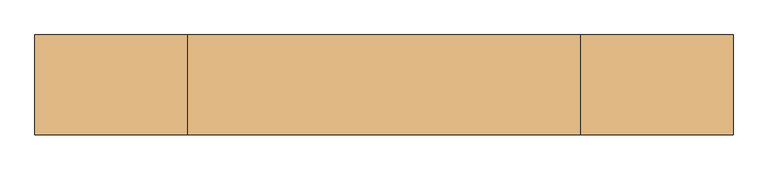
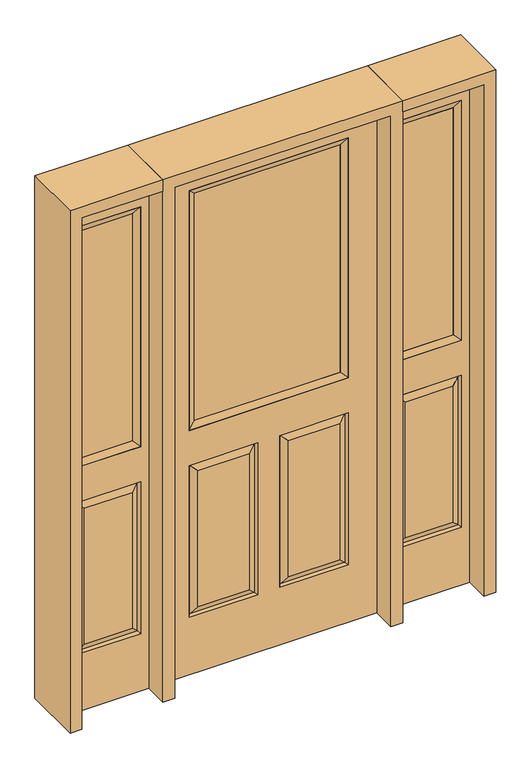
"""IFC4 building model written with IfcOpenShell, lengths in millimetres: door geometry."""

from ifc_helpers import new_model, si_unit, frame, origin, place, context, project, spatial, polyline, outline, extrude, faceted_brep, source, transform, mapped, element, save


def door_cf86e64f(model_context):
    return source(origin(), model_context, "Body", "SolidModel", [
        faceted_brep([(-406.4, -22.225, 0.0), (406.4, -22.225, 0.0), (406.4, -22.225, 2032.0), (-406.4, -22.225, 2032.0), (-299.339, -22.225, 971.55), (-299.339, -22.225, 1925.574), (299.339, -22.225, 1925.574), (299.339, -22.225, 971.55), (-299.339, -22.225, 831.85), (-41.275, -22.225, 831.85), (-41.275, -22.225, 228.6), (-299.339, -22.225, 228.6), (41.275, -22.225, 831.85), (299.339, -22.225, 831.85), (299.339, -22.225, 228.6), (41.275, -22.225, 228.6), (-73.025, -22.225, 800.1), (-267.589, -22.225, 800.1), (-267.589, -22.225, 260.35), (-73.025, -22.225, 260.35), (267.589, -22.225, 800.1), (73.025, -22.225, 800.1), (73.025, -22.225, 260.35), (267.589, -22.225, 260.35), (-406.4, 22.225, 0.0), (406.4, 22.225, 0.0), (406.4, 22.225, 2032.0), (-406.4, 22.225, 2032.0), (-299.339, 22.225, 971.55), (-299.339, 22.225, 1925.574), (299.339, 22.225, 1925.574), (299.339, 22.225, 971.55), (-41.275, 22.225, 831.85), (-299.339, 22.225, 831.85), (-299.339, 22.225, 228.6), (-41.275, 22.225, 228.6), (299.339, 22.225, 831.85), (41.275, 22.225, 831.85), (41.275, 22.225, 228.6), (299.339, 22.225, 228.6), (-267.589, 22.225, 800.1), (-73.025, 22.225, 800.1), (-73.025, 22.225, 260.35), (-267.589, 22.225, 260.35), (73.025, 22.225, 800.1), (267.589, 22.225, 800.1), (267.589, 22.225, 260.35), (73.025, 22.225, 260.35), (-48.41875, -12.7449236, 824.70625), (-292.19525, -12.7449236, 824.70625), (-292.19525, -12.7449236, 235.74375), (-48.41875, -12.7449236, 235.74375), (292.19525, -12.7449236, 824.70625), (48.41875, -12.7449236, 824.70625), (48.41875, -12.7449236, 235.74375), (292.19525, -12.7449236, 235.74375), (-292.19525, 12.7449236, 824.70625), (-48.41875, 12.7449236, 824.70625), (-48.41875, 12.7449236, 235.74375), (-292.19525, 12.7449236, 235.74375), (48.41875, 12.7449236, 824.70625), (292.19525, 12.7449236, 824.70625), (292.19525, 12.7449236, 235.74375), (48.41875, 12.7449236, 235.74375)], [[[0, 1, 2, 3], [4, 5, 6, 7], [8, 9, 10, 11], [12, 13, 14, 15]], [[16, 17, 18, 19]], [[20, 21, 22, 23]], [[1, 0, 24, 25]], [[2, 1, 25, 26]], [[0, 3, 27, 24]], [[5, 4, 28, 29]], [[7, 6, 30, 31]], [[4, 7, 31, 28]], [[24, 27, 26, 25], [28, 31, 30, 29], [32, 33, 34, 35], [36, 37, 38, 39]], [[40, 41, 42, 43]], [[44, 45, 46, 47]], [[3, 2, 26, 27]], [[6, 5, 29, 30]], [[16, 48, 49, 17]], [[17, 49, 50, 18]], [[51, 19, 18, 50]], [[48, 16, 19, 51]], [[49, 48, 9, 8]], [[9, 48, 51, 10]], [[10, 51, 50, 11]], [[49, 8, 11, 50]], [[52, 53, 21, 20]], [[21, 53, 54, 22]], [[22, 54, 55, 23]], [[52, 20, 23, 55]], [[53, 52, 13, 12]], [[13, 52, 55, 14]], [[54, 15, 14, 55]], [[53, 12, 15, 54]], [[56, 57, 41, 40]], [[41, 57, 58, 42]], [[42, 58, 59, 43]], [[56, 40, 43, 59]], [[57, 56, 33, 32]], [[33, 56, 59, 34]], [[58, 35, 34, 59]], [[57, 32, 35, 58]], [[44, 60, 61, 45]], [[45, 61, 62, 46]], [[63, 47, 46, 62]], [[60, 44, 47, 63]], [[61, 60, 37, 36]], [[37, 60, 63, 38]], [[38, 63, 62, 39]], [[61, 36, 39, 62]]]),
        extrude(outline(polyline([(273.939, -12.7), (-273.939, -12.7), (-273.939, 12.7), (273.939, 12.7), (273.939, -12.7)])), frame((0.0, 0.0, 996.95), z_axis=(0.0, 0.0, 1.0), x_axis=(1.0, 0.0, 0.0)), (0.0, 0.0, 1.0), 903.224),
        faceted_brep([(-299.339, -22.225, 1925.574), (-299.339, 22.225, 1925.574), (-299.339, 22.225, 971.55), (-299.339, -22.225, 971.55), (299.339, 22.225, 971.55), (299.339, -22.225, 971.55), (-273.939, 12.7, 996.95), (273.939, 12.7, 996.95), (299.339, 22.225, 1925.574), (299.339, -22.225, 1925.574), (-273.939, -12.7, 996.95), (273.939, -12.7, 996.95), (-273.939, -12.7, 1900.174), (273.939, -12.7, 1900.174), (-273.939, 12.7, 1900.174), (273.939, 12.7, 1900.174)], [[[0, 1, 2, 3]], [[3, 2, 4, 5]], [[2, 6, 7, 4]], [[5, 4, 8, 9]], [[10, 3, 5, 11]], [[12, 0, 3, 10]], [[11, 5, 9, 13]], [[6, 10, 11, 7]], [[14, 12, 10, 6]], [[7, 11, 13, 15]], [[1, 14, 6, 2]], [[4, 7, 15, 8]], [[9, 8, 1, 0]], [[13, 9, 0, 12]], [[15, 13, 12, 14]], [[8, 15, 14, 1]]]),
        faceted_brep([(755.65, -22.225, 0.0), (755.65, -22.225, 2032.0), (450.85, -22.225, 2032.0), (450.85, -22.225, 0.0), (481.838, -22.225, 1925.574), (724.662, -22.225, 1925.574), (724.662, -22.225, 971.55), (481.838, -22.225, 971.55), (481.838, -22.225, 228.6), (481.838, -22.225, 831.85), (724.662, -22.225, 831.85), (724.662, -22.225, 228.6), (692.7559872, -22.225, 260.5060128), (692.7559872, -22.225, 799.9439872), (513.7440128, -22.225, 799.9439872), (513.7440128, -22.225, 260.5060128), (450.85, 22.225, 0.0), (755.65, 22.225, 0.0), (450.85, 22.225, 2032.0), (755.65, 22.225, 2032.0), (481.838, 22.225, 971.55), (481.838, 22.225, 1925.574), (724.662, 22.225, 971.55), (724.662, 22.225, 1925.574), (724.662, 22.225, 228.6), (724.662, 22.225, 831.85), (481.838, 22.225, 831.85), (481.838, 22.225, 228.6), (513.7440128, 22.225, 260.5060128), (513.7440128, 22.225, 799.9439872), (692.7559872, 22.225, 799.9439872), (692.7559872, 22.225, 260.5060128), (717.7419933, -13.0418409, 235.5200067), (488.7580067, -13.0418409, 235.5200067), (717.7419933, -13.0418409, 824.9299933), (488.7580067, -13.0418409, 824.9299933), (717.7419933, 13.0418409, 235.5200067), (488.7580067, 13.0418409, 235.5200067), (488.7580067, 13.0418409, 824.9299933), (717.7419933, 13.0418409, 824.9299933)], [[[0, 1, 2, 3], [4, 5, 6, 7], [8, 9, 10, 11]], [[12, 13, 14, 15]], [[3, 16, 17, 0]], [[2, 18, 16, 3]], [[0, 17, 19, 1]], [[7, 20, 21, 4]], [[6, 22, 20, 7]], [[5, 23, 22, 6]], [[17, 16, 18, 19], [21, 20, 22, 23], [24, 25, 26, 27]], [[28, 29, 30, 31]], [[1, 19, 18, 2]], [[4, 21, 23, 5]], [[8, 11, 32, 33]], [[11, 10, 34, 32]], [[35, 34, 10, 9]], [[33, 35, 9, 8]], [[32, 12, 15, 33]], [[15, 14, 35, 33]], [[14, 13, 34, 35]], [[32, 34, 13, 12]], [[36, 24, 27, 37]], [[27, 26, 38, 37]], [[26, 25, 39, 38]], [[36, 39, 25, 24]], [[37, 28, 31, 36]], [[31, 30, 39, 36]], [[38, 39, 30, 29]], [[37, 38, 29, 28]]]),
        extrude(outline(polyline([(507.238, -12.7), (507.238, 12.7), (699.262, 12.7), (699.262, -12.7), (507.238, -12.7)])), frame((0.0, 0.0, 996.95), z_axis=(0.0, 0.0, 1.0), x_axis=(1.0, 0.0, 0.0)), (0.0, 0.0, 1.0), 903.224),
        faceted_brep([(724.662, -22.225, 1925.574), (724.662, -22.225, 971.55), (724.662, 22.225, 971.55), (724.662, 22.225, 1925.574), (481.838, -22.225, 971.55), (481.838, 22.225, 971.55), (507.238, 12.7, 996.95), (699.262, 12.7, 996.95), (481.838, -22.225, 1925.574), (481.838, 22.225, 1925.574), (699.262, -12.7, 996.95), (507.238, -12.7, 996.95), (699.262, -12.7, 1900.174), (507.238, -12.7, 1900.174), (699.262, 12.7, 1900.174), (507.238, 12.7, 1900.174)], [[[0, 1, 2, 3]], [[1, 4, 5, 2]], [[2, 5, 6, 7]], [[4, 8, 9, 5]], [[10, 11, 4, 1]], [[12, 10, 1, 0]], [[11, 13, 8, 4]], [[7, 6, 11, 10]], [[14, 7, 10, 12]], [[6, 15, 13, 11]], [[3, 2, 7, 14]], [[5, 9, 15, 6]], [[8, 0, 3, 9]], [[13, 12, 0, 8]], [[15, 14, 12, 13]], [[9, 3, 14, 15]]]),
        faceted_brep([(-755.65, -22.225, 0.0), (-450.85, -22.225, 0.0), (-450.85, -22.225, 2032.0), (-755.65, -22.225, 2032.0), (-481.838, -22.225, 1925.574), (-481.838, -22.225, 971.55), (-724.662, -22.225, 971.55), (-724.662, -22.225, 1925.574), (-481.838, -22.225, 228.6), (-724.662, -22.225, 228.6), (-724.662, -22.225, 831.85), (-481.838, -22.225, 831.85), (-692.7559872, -22.225, 260.5060128), (-513.7440128, -22.225, 260.5060128), (-513.7440128, -22.225, 799.9439872), (-692.7559872, -22.225, 799.9439872), (-755.65, 22.225, 0.0), (-450.85, 22.225, 0.0), (-450.85, 22.225, 2032.0), (-755.65, 22.225, 2032.0), (-481.838, 22.225, 1925.574), (-481.838, 22.225, 971.55), (-724.662, 22.225, 971.55), (-724.662, 22.225, 1925.574), (-724.662, 22.225, 228.6), (-481.838, 22.225, 228.6), (-481.838, 22.225, 831.85), (-724.662, 22.225, 831.85), (-513.7440128, 22.225, 260.5060128), (-692.7559872, 22.225, 260.5060128), (-692.7559872, 22.225, 799.9439872), (-513.7440128, 22.225, 799.9439872), (-488.7580067, -13.0418409, 235.5200067), (-717.7419933, -13.0418409, 235.5200067), (-717.7419933, -13.0418409, 824.9299933), (-488.7580067, -13.0418409, 824.9299933), (-717.7419933, 13.0418409, 235.5200067), (-488.7580067, 13.0418409, 235.5200067), (-488.7580067, 13.0418409, 824.9299933), (-717.7419933, 13.0418409, 824.9299933)], [[[0, 1, 2, 3], [4, 5, 6, 7], [8, 9, 10, 11]], [[12, 13, 14, 15]], [[1, 0, 16, 17]], [[2, 1, 17, 18]], [[0, 3, 19, 16]], [[5, 4, 20, 21]], [[6, 5, 21, 22]], [[7, 6, 22, 23]], [[16, 19, 18, 17], [20, 23, 22, 21], [24, 25, 26, 27]], [[28, 29, 30, 31]], [[3, 2, 18, 19]], [[4, 7, 23, 20]], [[8, 32, 33, 9]], [[9, 33, 34, 10]], [[35, 11, 10, 34]], [[32, 8, 11, 35]], [[33, 32, 13, 12]], [[13, 32, 35, 14]], [[14, 35, 34, 15]], [[33, 12, 15, 34]], [[36, 37, 25, 24]], [[25, 37, 38, 26]], [[26, 38, 39, 27]], [[36, 24, 27, 39]], [[37, 36, 29, 28]], [[29, 36, 39, 30]], [[38, 31, 30, 39]], [[37, 28, 31, 38]]]),
        extrude(outline(polyline([(-507.238, -12.7), (-699.262, -12.7), (-699.262, 12.7), (-507.238, 12.7), (-507.238, -12.7)])), frame((0.0, 0.0, 996.95), z_axis=(0.0, 0.0, 1.0), x_axis=(1.0, 0.0, 0.0)), (0.0, 0.0, 1.0), 903.224),
        faceted_brep([(-724.662, -22.225, 1925.574), (-724.662, 22.225, 1925.574), (-724.662, 22.225, 971.55), (-724.662, -22.225, 971.55), (-481.838, 22.225, 971.55), (-481.838, -22.225, 971.55), (-699.262, 12.7, 996.95), (-507.238, 12.7, 996.95), (-481.838, 22.225, 1925.574), (-481.838, -22.225, 1925.574), (-699.262, -12.7, 996.95), (-507.238, -12.7, 996.95), (-699.262, -12.7, 1900.174), (-507.238, -12.7, 1900.174), (-699.262, 12.7, 1900.174), (-507.238, 12.7, 1900.174)], [[[0, 1, 2, 3]], [[3, 2, 4, 5]], [[2, 6, 7, 4]], [[5, 4, 8, 9]], [[10, 3, 5, 11]], [[12, 0, 3, 10]], [[11, 5, 9, 13]], [[6, 10, 11, 7]], [[14, 12, 10, 6]], [[7, 11, 13, 15]], [[1, 14, 6, 2]], [[4, 7, 15, 8]], [[9, 8, 1, 0]], [[13, 9, 0, 12]], [[15, 13, 12, 14]], [[8, 15, 14, 1]]]),
        extrude(outline(polyline([(2032.0, -450.85), (2076.45, -450.85), (2076.45, -800.1), (0.0, -800.1), (0.0, -755.65), (2032.0, -755.65), (2032.0, -450.85)])), frame((0.0, -114.3, 0.0), z_axis=(0.0, 1.0, 0.0), x_axis=(0.0, 0.0, 1.0)), (0.0, 0.0, 1.0), 228.6),
        extrude(outline(polyline([(2076.45, 450.85), (2032.0, 450.85), (2032.0, 755.65), (0.0, 755.65), (0.0, 800.1), (2076.45, 800.1), (2076.45, 450.85)])), frame((0.0, -114.3, 0.0), z_axis=(0.0, 1.0, 0.0), x_axis=(0.0, 0.0, 1.0)), (0.0, 0.0, 1.0), 228.6),
        extrude(outline(polyline([(0.0, -450.85), (0.0, -406.4), (2032.0, -406.4), (2032.0, 406.4), (0.0, 406.4), (0.0, 450.85), (2076.45, 450.85), (2076.45, -450.85), (0.0, -450.85)])), frame((0.0, -114.3, 0.0), z_axis=(0.0, 1.0, 0.0), x_axis=(0.0, 0.0, 1.0)), (0.0, 0.0, 1.0), 228.6),
    ])


if __name__ == "__main__":
    model = new_model("IFC4")
    model_context = context("Model", 3, world=origin())
    ifc_project = project(units=[si_unit("LENGTHUNIT", "METRE", prefix="MILLI")], contexts=[model_context])
    site = spatial("IfcSite", under=ifc_project)
    building = spatial("IfcBuilding", under=site)
    placement = place(None, origin())
    door_shape = door_cf86e64f(model_context)
    element("IfcDoor", 1, at=placement, inside=building, context=model_context, shape_type="MappedRepresentation", body=[
        mapped(door_shape, transform((0.0, 0.0, 0.0), x_axis=(1.0, 0.0, 0.0), y_axis=(0.0, 1.0, 0.0), z_axis=(0.0, 0.0, 1.0))),
    ])
    save(model, "model.ifc")
